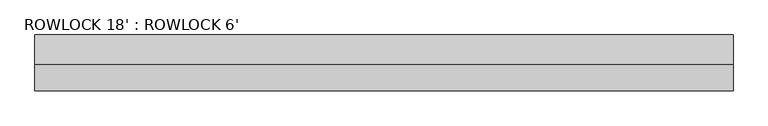
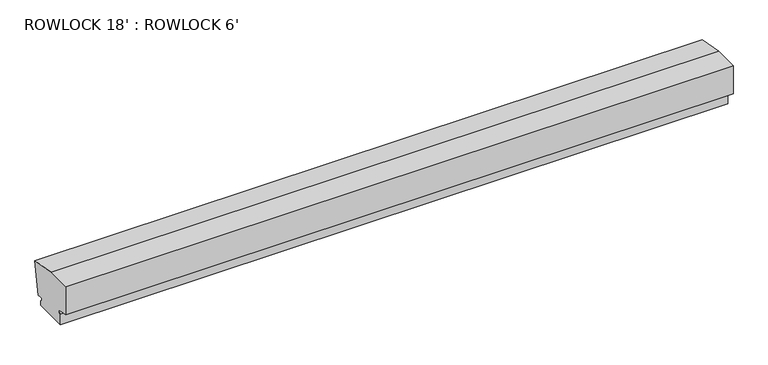
"""IFC4 building model written with IfcOpenShell, lengths in millimetres: proxy geometry, ROWLOCK 18' : ROWLOCK 6'."""

from ifc_helpers import new_model, si_unit, point, frame, frame_2d, origin, place, context, project, spatial, polyline, circle_curve, trimmed, segment, composite_curve, outline, extrude, source, transform, mapped, element, save


def rowlock_18_rowlock_6_c44dd953(model_context):
    return source(origin(), model_context, "Body", "SweptSolid", [
        extrude(outline(composite_curve([segment(polyline([(54062.2745748, 483.39375), (53970.1995748, 483.39375), (53970.1995748, 513.9165567)]), True, "CONTINUOUS"), segment(trimmed(circle_curve(frame_2d((53970.1995748, 518.752526)), 4.8359692), [point((53970.1995748, 513.9165567))], [point((53971.8535737, 523.2968506))], True, "CARTESIAN"), True, "CONTINUOUS"), segment(polyline([(53971.8535737, 523.2968506), (53944.7772588, 528.0711355), (53944.7772588, 609.6), (54012.6428838, 609.6), (54090.9632308, 595.7900097), (54074.9745748, 505.1138358), (54062.2745748, 507.3531885)]), True, "CONTINUOUS"), segment(trimmed(circle_curve(frame_2d((54062.2745748, 502.5172192)), 4.8359692), [point((54062.2745748, 507.3531885))], [point((54062.2745748, 497.68125))], True, "CARTESIAN"), True, "CONTINUOUS"), segment(polyline([(54062.2745748, 497.68125), (54062.2745748, 483.39375)]), True, "CONTINUOUS")], self_intersect=False)), frame((428163.4273809, 0.0, 0.0), z_axis=(1.0, 0.0, 0.0), x_axis=(0.0, 1.0, 0.0)), (0.0, 0.0, 1.0), 1828.8),
    ])


if __name__ == "__main__":
    model = new_model("IFC4")
    model_context = context("Model", 3, world=origin())
    ifc_project = project(units=[si_unit("LENGTHUNIT", "METRE", prefix="MILLI")], contexts=[model_context])
    site = spatial("IfcSite", under=ifc_project)
    building = spatial("IfcBuilding", under=site)
    placement = place(None, origin())
    rowlock_18_rowlock_6_shape = rowlock_18_rowlock_6_c44dd953(model_context)
    element("IfcBuildingElementProxy", 1, Name="ROWLOCK 18' : ROWLOCK 6'", ObjectType="ROWLOCK 18' : ROWLOCK 6'", at=placement, inside=building, context=model_context, shape_type="MappedRepresentation", body=[
        mapped(rowlock_18_rowlock_6_shape, transform((0.0, 0.0, 0.0), x_axis=(1.0, 0.0, 0.0), y_axis=(0.0, 1.0, 0.0), z_axis=(0.0, 0.0, 1.0))),
    ])
    save(model, "model.ifc")
